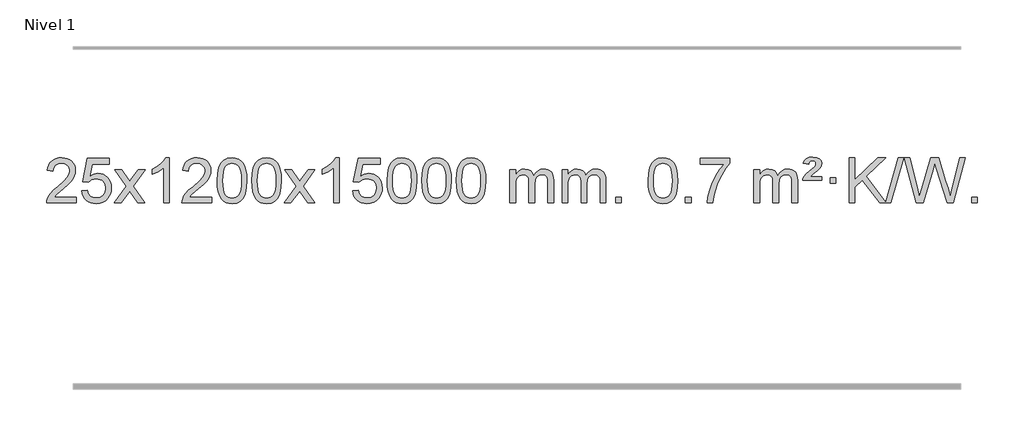
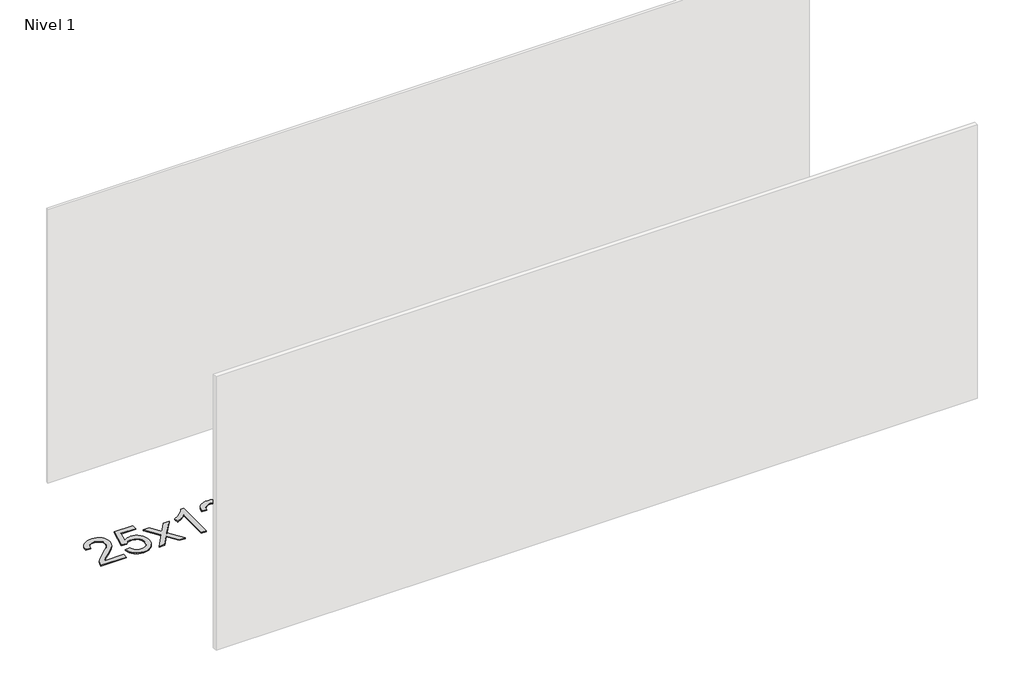
# One storey, part 10 of 10: 1 proxy.
"""IFC4 building model written with IfcOpenShell, lengths in millimetres."""

from ifc_helpers import new_model, si_unit, origin, origin_with_axes, place, context, project, spatial, polyline, outline, extrude, element, save

model = new_model("IFC4")

# Units and contexts
model_context = context("Model", 3, world=origin())
ifc_project = project(units=[si_unit("LENGTHUNIT", "METRE", prefix="MILLI")], contexts=[model_context])

# Site, building, storey
site = spatial("IfcSite", under=ifc_project)
building = spatial("IfcBuilding", under=site)
storey = spatial("IfcBuildingStorey", under=building, Name="Nivel 1", Elevation=0.0)

# Proxy
placement = place(None, origin())
element("IfcBuildingElementProxy", 1, Name="Texto de modelo 1", ObjectType="Texto de modelo 1", at=placement, inside=storey, context=model_context, shape_type="SweptSolid", body=[
    extrude(outline(polyline([(-206.3978655, 2658.6487021), (-206.3978655, 2608.420547), (-470.0956797, 2608.420547), (-468.9920337, 2626.1034082), (-464.7000771, 2643.0505055), (-452.3147166, 2670.1143576), (-434.190397, 2696.3688693), (-407.9726734, 2723.8496544), (-371.3071012, 2754.5923264), (-317.1058206, 2802.7358169), (-284.5850522, 2838.2732176), (-268.3246681, 2867.115166), (-262.90454, 2895.1722995), (-268.0180997, 2920.3231653), (-283.3587789, 2941.2311253), (-306.9400148, 2955.3210057), (-336.7752446, 2960.0176325), (-368.1065279, 2955.4313703), (-392.4480532, 2941.6725837), (-408.1566144, 2919.8203932), (-413.5890052, 2890.9539193), (-463.8171603, 2897.2324387), (-459.4976125, 2923.161988), (-451.6402663, 2945.8173875), (-440.2451215, 2965.1986373), (-425.3121781, 2981.3057373), (-407.1847928, 2993.9670093), (-386.206322, 3003.010775), (-362.3767658, 3008.4370345), (-335.6961241, 3010.2457876), (-308.7763591, 3008.2346994), (-284.8180442, 3002.2014346), (-263.8211793, 2992.1459934), (-245.7857645, 2978.0683758), (-231.3004109, 2961.0109139), (-220.9537298, 2942.0159402), (-214.7457211, 2921.0834547), (-212.6763849, 2898.2134573), (-214.9082024, 2874.1907631), (-221.6036547, 2850.5850017), (-233.4862431, 2826.5745701), (-251.2794689, 2801.3378653), (-279.6431708, 2771.2083299), (-323.2371872, 2732.5194067), (-381.0191859, 2684.204238), (-403.6807168, 2658.6487021), (-206.3978655, 2658.6487021)])), origin_with_axes(), (0.0, 0.0, 1.0), 10.0),
    extrude(outline(polyline([(-156.1697105, 2715.1553765), (-105.9415554, 2721.4338959), (-96.71998, 2691.2798351), (-80.6312741, 2669.6851619), (-57.749014, 2656.6989275), (-28.1467761, 2652.3701827), (-9.0169124, 2653.8754332), (7.8566085, 2658.3911847), (22.4737864, 2665.9174372), (34.8346214, 2676.4541906), (44.6632021, 2689.480279), (51.6836168, 2704.4745359), (57.2999486, 2740.3675559), (52.0392361, 2774.1636486), (45.4633454, 2788.0818507), (36.2570985, 2800.0134901), (24.3898385, 2809.5845533), (9.8309085, 2816.4210271), (-27.3619612, 2821.8902061), (-51.728012, 2819.7074396), (-71.4587497, 2813.1591401), (-87.2163618, 2803.1282243), (-99.663036, 2790.4976092), (-149.8911911, 2796.7761285), (-105.9415554, 3003.9672682), (88.6925455, 3003.9672682), (88.6925455, 2953.7391131), (-65.3273831, 2953.7391131), (-86.8116916, 2843.080209), (-69.0859108, 2855.7844006), (-50.9309344, 2864.8588231), (-32.3467623, 2870.3034766), (-13.3333945, 2872.1183612), (11.1276925, 2869.8681496), (33.5960854, 2863.117515), (54.0717841, 2851.8664573), (72.5547887, 2836.1149766), (87.855614, 2816.8256973), (98.7847749, 2794.961244), (105.3422715, 2770.5216168), (107.5281037, 2743.5068156), (105.559935, 2717.4852958), (99.655429, 2693.2786606), (89.8145856, 2670.8869098), (76.0374049, 2650.3100435), (55.166233, 2629.2365366), (30.812445, 2614.1840316), (2.9760407, 2605.1525286), (-28.3429799, 2602.1420276), (-54.2633321, 2604.0764738), (-77.6759554, 2609.8798123), (-98.5808498, 2619.552043), (-116.9780152, 2633.0931662), (-132.2849719, 2649.8287312), (-143.91924, 2669.084288), (-151.8808195, 2690.8598364), (-156.1697105, 2715.1553765)])), origin_with_axes(), (0.0, 0.0, 1.0), 10.0),
    extrude(outline(polyline([(132.6421812, 2608.420547), (239.9656219, 2756.7505675), (138.9207006, 2903.5109581), (199.3514497, 2903.5109581), (248.1080768, 2832.877615), (270.8677095, 2799.5229808), (290.5861845, 2826.7952993), (346.1118403, 2903.5109581), (406.5425894, 2903.5109581), (300.396371, 2756.7505675), (402.6185147, 2608.420547), (342.1877657, 2608.420547), (280.6778961, 2697.5951426), (269.3961816, 2713.8800523), (193.0729303, 2608.420547), (132.6421812, 2608.420547)])), origin_with_axes(), (0.0, 0.0, 1.0), 10.0),
    extrude(outline(polyline([(622.3666932, 2608.420547), (572.1385381, 2608.420547), (572.1385381, 2921.5617013), (551.1692644, 2904.6023413), (524.5591334, 2887.6675068), (471.682228, 2862.3081746), (471.682228, 2909.7894775), (511.1314406, 2931.2492605), (545.3076779, 2956.780271), (572.2489027, 2983.9299622), (589.9930776, 3010.2457876), (622.3666932, 3010.2457876), (622.3666932, 2608.420547)])), origin_with_axes(), (0.0, 0.0, 1.0), 10.0),
    extrude(outline(polyline([(999.0778563, 2658.6487021), (999.0778563, 2608.420547), (735.3800421, 2608.420547), (736.4836881, 2626.1034082), (740.7756447, 2643.0505055), (753.1610052, 2670.1143576), (771.2853248, 2696.3688693), (797.5030484, 2723.8496544), (834.1686206, 2754.5923264), (888.3699012, 2802.7358169), (920.8906695, 2838.2732176), (937.1510537, 2867.115166), (942.5711818, 2895.1722995), (937.4576221, 2920.3231653), (922.1169429, 2941.2311253), (898.535707, 2955.3210057), (868.7004772, 2960.0176325), (837.3691939, 2955.4313703), (813.0276686, 2941.6725837), (797.3191074, 2919.8203932), (791.8867166, 2890.9539193), (741.6585615, 2897.2324387), (745.9781093, 2923.161988), (753.8354555, 2945.8173875), (765.2306003, 2965.1986373), (780.1635437, 2981.3057373), (798.290929, 2993.9670093), (819.2693997, 3003.010775), (843.098956, 3008.4370345), (869.7795977, 3010.2457876), (896.6993627, 3008.2346994), (920.6576776, 3002.2014346), (941.6545425, 2992.1459934), (959.6899573, 2978.0683758), (974.1753109, 2961.0109139), (984.521992, 2942.0159402), (990.7300007, 2921.0834547), (992.7993369, 2898.2134573), (990.5675194, 2874.1907631), (983.8720671, 2850.5850017), (971.9894787, 2826.5745701), (954.1962528, 2801.3378653), (925.832551, 2771.2083299), (882.2385346, 2732.5194067), (824.4565359, 2684.204238), (801.795005, 2658.6487021), (999.0778563, 2658.6487021)])), origin_with_axes(), (0.0, 0.0, 1.0), 10.0),
    extrude(outline(polyline([(1049.3060113, 2806.0958057), (1052.997094, 2870.4138412), (1064.0703421, 2921.7088541), (1082.4153909, 2960.7656593), (1094.2734539, 2975.9990395), (1107.9218759, 2988.3690716), (1123.4066422, 2997.9401349), (1140.7737381, 3004.7766086), (1181.1549184, 3010.2457876), (1212.1060569, 3007.008426), (1239.8198339, 2997.2963414), (1262.9963996, 2981.4896783), (1280.3359043, 2959.9685816), (1293.4325033, 2932.9169922), (1303.880352, 2900.5188512), (1310.7229571, 2859.3773814), (1313.0038255, 2806.0958057), (1309.349531, 2742.1456523), (1298.3866475, 2690.9732667), (1280.1519633, 2651.8796734), (1268.3214915, 2636.6003078), (1254.6822665, 2624.1658964), (1239.1791061, 2614.5304538), (1221.7568279, 2607.6479948), (1181.1549184, 2602.1420276), (1153.4901924, 2604.5332606), (1128.964726, 2611.7069595), (1107.5785194, 2623.6631243), (1089.3315724, 2640.4017551), (1071.8203894, 2670.6600492), (1059.3124016, 2708.3618224), (1051.8076089, 2753.5070745), (1049.3060113, 2806.0958057)]), holes=[polyline([(1099.5341664, 2806.1939076), (1101.0056944, 2762.5293805), (1105.4202783, 2727.1851178), (1112.7779182, 2700.1611196), (1123.0786141, 2681.4573858), (1135.537551, 2668.7317344), (1149.369914, 2659.6419835), (1164.5757032, 2654.1881329), (1181.1549184, 2652.3701827), (1197.7341337, 2654.1942643), (1212.9399228, 2659.6665089), (1226.7722858, 2668.7869167), (1239.2312227, 2681.5554876), (1249.5319186, 2700.2898783), (1256.8895585, 2727.3077451), (1261.3041424, 2762.6090882), (1262.7756704, 2806.1939076), (1261.3531934, 2848.7026722), (1257.0857622, 2883.4246011), (1249.973377, 2910.3596945), (1240.0160376, 2929.5079524), (1227.7655672, 2942.8559375), (1213.7737886, 2952.3902125), (1198.040702, 2958.1107775), (1180.5663072, 2960.0176325), (1164.0729311, 2958.3376381), (1149.1246594, 2953.2976548), (1135.721492, 2944.8976825), (1123.863429, 2933.1377214), (1113.2193766, 2912.291075), (1105.6164821, 2884.1848906), (1101.0547453, 2848.8191681), (1099.5341664, 2806.1939076)])]), origin_with_axes(), (0.0, 0.0, 1.0), 10.0),
    extrude(outline(polyline([(1356.9534612, 2806.0958057), (1360.6445439, 2870.4138412), (1371.7177919, 2921.7088541), (1390.0628407, 2960.7656593), (1401.9209037, 2975.9990395), (1415.5693257, 2988.3690716), (1431.054092, 2997.9401349), (1448.4211879, 3004.7766086), (1488.8023682, 3010.2457876), (1519.7535068, 3007.008426), (1547.4672837, 2997.2963414), (1570.6438494, 2981.4896783), (1587.9833541, 2959.9685816), (1601.0799532, 2932.9169922), (1611.5278018, 2900.5188512), (1618.3704069, 2859.3773814), (1620.6512753, 2806.0958057), (1616.9969808, 2742.1456523), (1606.0340974, 2690.9732667), (1587.7994131, 2651.8796734), (1575.9689413, 2636.6003078), (1562.3297163, 2624.1658964), (1546.8265559, 2614.5304538), (1529.4042778, 2607.6479948), (1488.8023682, 2602.1420276), (1461.1376422, 2604.5332606), (1436.6121759, 2611.7069595), (1415.2259692, 2623.6631243), (1396.9790222, 2640.4017551), (1379.4678393, 2670.6600492), (1366.9598514, 2708.3618224), (1359.4550587, 2753.5070745), (1356.9534612, 2806.0958057)]), holes=[polyline([(1407.1816162, 2806.1939076), (1408.6531442, 2762.5293805), (1413.0677282, 2727.1851178), (1420.4253681, 2700.1611196), (1430.7260639, 2681.4573858), (1443.1850008, 2668.7317344), (1457.0173639, 2659.6419835), (1472.223153, 2654.1881329), (1488.8023682, 2652.3701827), (1505.3815835, 2654.1942643), (1520.5873726, 2659.6665089), (1534.4197356, 2668.7869167), (1546.8786725, 2681.5554876), (1557.1793684, 2700.2898783), (1564.5370083, 2727.3077451), (1568.9515923, 2762.6090882), (1570.4231202, 2806.1939076), (1569.0006432, 2848.7026722), (1564.733212, 2883.4246011), (1557.6208268, 2910.3596945), (1547.6634875, 2929.5079524), (1535.413017, 2942.8559375), (1521.4212385, 2952.3902125), (1505.6881518, 2958.1107775), (1488.213757, 2960.0176325), (1471.7203809, 2958.3376381), (1456.7721092, 2953.2976548), (1443.3689418, 2944.8976825), (1431.5108789, 2933.1377214), (1420.8668265, 2912.291075), (1413.2639319, 2884.1848906), (1408.7021952, 2848.8191681), (1407.1816162, 2806.1939076)])]), origin_with_axes(), (0.0, 0.0, 1.0), 10.0),
    extrude(outline(polyline([(1645.7653528, 2608.420547), (1753.0887936, 2756.7505675), (1652.0438722, 2903.5109581), (1712.4746213, 2903.5109581), (1761.2312484, 2832.877615), (1783.9908812, 2799.5229808), (1803.7093561, 2826.7952993), (1859.2350119, 2903.5109581), (1919.665761, 2903.5109581), (1813.5195426, 2756.7505675), (1915.7416864, 2608.420547), (1855.3109373, 2608.420547), (1793.8010677, 2697.5951426), (1782.5193532, 2713.8800523), (1706.1961019, 2608.420547), (1645.7653528, 2608.420547)])), origin_with_axes(), (0.0, 0.0, 1.0), 10.0),
    extrude(outline(polyline([(2135.4898648, 2608.420547), (2085.2617098, 2608.420547), (2085.2617098, 2921.5617013), (2064.292436, 2904.6023413), (2037.682305, 2887.6675068), (1984.8053996, 2862.3081746), (1984.8053996, 2909.7894775), (2024.2546122, 2931.2492605), (2058.4308496, 2956.780271), (2085.3720743, 2983.9299622), (2103.1162492, 3010.2457876), (2135.4898648, 3010.2457876), (2135.4898648, 2608.420547)])), origin_with_axes(), (0.0, 0.0, 1.0), 10.0),
    extrude(outline(polyline([(2254.7817331, 2715.1553765), (2305.0098882, 2721.4338959), (2314.2314635, 2691.2798351), (2330.3201695, 2669.6851619), (2353.2024296, 2656.6989275), (2382.8046674, 2652.3701827), (2401.9345312, 2653.8754332), (2418.808052, 2658.3911847), (2433.42523, 2665.9174372), (2445.786065, 2676.4541906), (2455.6146457, 2689.480279), (2462.6350604, 2704.4745359), (2468.2513922, 2740.3675559), (2462.9906797, 2774.1636486), (2456.414789, 2788.0818507), (2447.2085421, 2800.0134901), (2435.341282, 2809.5845533), (2420.7823521, 2816.4210271), (2383.5894824, 2821.8902061), (2359.2234316, 2819.7074396), (2339.4926939, 2813.1591401), (2323.7350818, 2803.1282243), (2311.2884076, 2790.4976092), (2261.0602525, 2796.7761285), (2305.0098882, 3003.9672682), (2499.6439891, 3003.9672682), (2499.6439891, 2953.7391131), (2345.6240605, 2953.7391131), (2324.139752, 2843.080209), (2341.8655328, 2855.7844006), (2360.0205092, 2864.8588231), (2378.6046813, 2870.3034766), (2397.6180491, 2872.1183612), (2422.0791361, 2869.8681496), (2444.547529, 2863.117515), (2465.0232277, 2851.8664573), (2483.5062323, 2836.1149766), (2498.8070576, 2816.8256973), (2509.7362185, 2794.961244), (2516.2937151, 2770.5216168), (2518.4795473, 2743.5068156), (2516.5113786, 2717.4852958), (2510.6068726, 2693.2786606), (2500.7660292, 2670.8869098), (2486.9888485, 2650.3100435), (2466.1176766, 2629.2365366), (2441.7638885, 2614.1840316), (2413.9274842, 2605.1525286), (2382.6084637, 2602.1420276), (2356.6881115, 2604.0764738), (2333.2754882, 2609.8798123), (2312.3705938, 2619.552043), (2293.9734283, 2633.0931662), (2278.6664717, 2649.8287312), (2267.0322036, 2669.084288), (2259.0706241, 2690.8598364), (2254.7817331, 2715.1553765)])), origin_with_axes(), (0.0, 0.0, 1.0), 10.0),
    extrude(outline(polyline([(2562.429183, 2806.0958057), (2566.1202656, 2870.4138412), (2577.1935137, 2921.7088541), (2595.5385625, 2960.7656593), (2607.3966255, 2975.9990395), (2621.0450475, 2988.3690716), (2636.5298138, 2997.9401349), (2653.8969097, 3004.7766086), (2694.27809, 3010.2457876), (2725.2292286, 3007.008426), (2752.9430055, 2997.2963414), (2776.1195712, 2981.4896783), (2793.4590759, 2959.9685816), (2806.555675, 2932.9169922), (2817.0035236, 2900.5188512), (2823.8461287, 2859.3773814), (2826.1269971, 2806.0958057), (2822.4727026, 2742.1456523), (2811.5098192, 2690.9732667), (2793.2751349, 2651.8796734), (2781.4446631, 2636.6003078), (2767.8054381, 2624.1658964), (2752.3022777, 2614.5304538), (2734.8799996, 2607.6479948), (2694.27809, 2602.1420276), (2666.613364, 2604.5332606), (2642.0878976, 2611.7069595), (2620.701691, 2623.6631243), (2602.454744, 2640.4017551), (2584.9435611, 2670.6600492), (2572.4355732, 2708.3618224), (2564.9307805, 2753.5070745), (2562.429183, 2806.0958057)]), holes=[polyline([(2612.657338, 2806.1939076), (2614.128866, 2762.5293805), (2618.54345, 2727.1851178), (2625.9010899, 2700.1611196), (2636.2017857, 2681.4573858), (2648.6607226, 2668.7317344), (2662.4930856, 2659.6419835), (2677.6988748, 2654.1881329), (2694.27809, 2652.3701827), (2710.8573053, 2654.1942643), (2726.0630944, 2659.6665089), (2739.8954574, 2668.7869167), (2752.3543943, 2681.5554876), (2762.6550902, 2700.2898783), (2770.0127301, 2727.3077451), (2774.427314, 2762.6090882), (2775.898842, 2806.1939076), (2774.476365, 2848.7026722), (2770.2089338, 2883.4246011), (2763.0965486, 2910.3596945), (2753.1392093, 2929.5079524), (2740.8887388, 2942.8559375), (2726.8969603, 2952.3902125), (2711.1638736, 2958.1107775), (2693.6894788, 2960.0176325), (2677.1961027, 2958.3376381), (2662.247831, 2953.2976548), (2648.8446636, 2944.8976825), (2636.9866007, 2933.1377214), (2626.3425483, 2912.291075), (2618.7396537, 2884.1848906), (2614.1779169, 2848.8191681), (2612.657338, 2806.1939076)])]), origin_with_axes(), (0.0, 0.0, 1.0), 10.0),
    extrude(outline(polyline([(2870.0766328, 2806.0958057), (2873.7677155, 2870.4138412), (2884.8409635, 2921.7088541), (2903.1860124, 2960.7656593), (2915.0440753, 2975.9990395), (2928.6924974, 2988.3690716), (2944.1772637, 2997.9401349), (2961.5443595, 3004.7766086), (3001.9255399, 3010.2457876), (3032.8766784, 3007.008426), (3060.5904554, 2997.2963414), (3083.7670211, 2981.4896783), (3101.1065258, 2959.9685816), (3114.2031248, 2932.9169922), (3124.6509735, 2900.5188512), (3131.4935786, 2859.3773814), (3133.7744469, 2806.0958057), (3130.1201525, 2742.1456523), (3119.157269, 2690.9732667), (3100.9225848, 2651.8796734), (3089.0921129, 2636.6003078), (3075.452888, 2624.1658964), (3059.9497276, 2614.5304538), (3042.5274494, 2607.6479948), (3001.9255399, 2602.1420276), (2974.2608138, 2604.5332606), (2949.7353475, 2611.7069595), (2928.3491408, 2623.6631243), (2910.1021939, 2640.4017551), (2892.5910109, 2670.6600492), (2880.0830231, 2708.3618224), (2872.5782304, 2753.5070745), (2870.0766328, 2806.0958057)]), holes=[polyline([(2920.3047879, 2806.1939076), (2921.7763158, 2762.5293805), (2926.1908998, 2727.1851178), (2933.5485397, 2700.1611196), (2943.8492356, 2681.4573858), (2956.3081725, 2668.7317344), (2970.1405355, 2659.6419835), (2985.3463246, 2654.1881329), (3001.9255399, 2652.3701827), (3018.5047551, 2654.1942643), (3033.7105442, 2659.6665089), (3047.5429073, 2668.7869167), (3060.0018442, 2681.5554876), (3070.30254, 2700.2898783), (3077.6601799, 2727.3077451), (3082.0747639, 2762.6090882), (3083.5462919, 2806.1939076), (3082.1238148, 2848.7026722), (3077.8563837, 2883.4246011), (3070.7439984, 2910.3596945), (3060.7866591, 2929.5079524), (3048.5361887, 2942.8559375), (3034.5444101, 2952.3902125), (3018.8113234, 2958.1107775), (3001.3369287, 2960.0176325), (2984.8435526, 2958.3376381), (2969.8952808, 2953.2976548), (2956.4921135, 2944.8976825), (2944.6340505, 2933.1377214), (2933.9899981, 2912.291075), (2926.3871035, 2884.1848906), (2921.8253668, 2848.8191681), (2920.3047879, 2806.1939076)])]), origin_with_axes(), (0.0, 0.0, 1.0), 10.0),
    extrude(outline(polyline([(3177.7240826, 2806.0958057), (3181.4151653, 2870.4138412), (3192.4884134, 2921.7088541), (3210.8334622, 2960.7656593), (3222.6915252, 2975.9990395), (3236.3399472, 2988.3690716), (3251.8247135, 2997.9401349), (3269.1918094, 3004.7766086), (3309.5729897, 3010.2457876), (3340.5241282, 3007.008426), (3368.2379052, 2997.2963414), (3391.4144709, 2981.4896783), (3408.7539756, 2959.9685816), (3421.8505746, 2932.9169922), (3432.2984233, 2900.5188512), (3439.1410284, 2859.3773814), (3441.4218968, 2806.0958057), (3437.7676023, 2742.1456523), (3426.8047188, 2690.9732667), (3408.5700346, 2651.8796734), (3396.7395628, 2636.6003078), (3383.1003378, 2624.1658964), (3367.5971774, 2614.5304538), (3350.1748992, 2607.6479948), (3309.5729897, 2602.1420276), (3281.9082637, 2604.5332606), (3257.3827973, 2611.7069595), (3235.9965907, 2623.6631243), (3217.7496437, 2640.4017551), (3200.2384607, 2670.6600492), (3187.7304729, 2708.3618224), (3180.2256802, 2753.5070745), (3177.7240826, 2806.0958057)]), holes=[polyline([(3227.9522377, 2806.1939076), (3229.4237657, 2762.5293805), (3233.8383496, 2727.1851178), (3241.1959895, 2700.1611196), (3251.4966854, 2681.4573858), (3263.9556223, 2668.7317344), (3277.7879853, 2659.6419835), (3292.9937744, 2654.1881329), (3309.5729897, 2652.3701827), (3326.1522049, 2654.1942643), (3341.3579941, 2659.6665089), (3355.1903571, 2668.7869167), (3367.649294, 2681.5554876), (3377.9499899, 2700.2898783), (3385.3076298, 2727.3077451), (3389.7222137, 2762.6090882), (3391.1937417, 2806.1939076), (3389.7712646, 2848.7026722), (3385.5038335, 2883.4246011), (3378.3914483, 2910.3596945), (3368.4341089, 2929.5079524), (3356.1836385, 2942.8559375), (3342.1918599, 2952.3902125), (3326.4587733, 2958.1107775), (3308.9843785, 2960.0176325), (3292.4910024, 2958.3376381), (3277.5427307, 2953.2976548), (3264.1395633, 2944.8976825), (3252.2815003, 2933.1377214), (3241.6374479, 2912.291075), (3234.0345534, 2884.1848906), (3229.4728166, 2848.8191681), (3227.9522377, 2806.1939076)])]), origin_with_axes(), (0.0, 0.0, 1.0), 10.0),
    extrude(outline(polyline([(3654.8915558, 2608.420547), (3654.8915558, 2903.5109581), (3705.1197109, 2903.5109581), (3705.1197109, 2854.9505347), (3720.2273982, 2877.2564463), (3739.6515675, 2894.7308411), (3762.7300314, 2906.0248184), (3788.8006021, 2909.7894775), (3816.7351082, 2905.951242), (3839.126859, 2894.4365355), (3855.8532271, 2876.0056476), (3866.7915851, 2851.4188676), (3885.0998457, 2876.9560094), (3905.9832803, 2895.196825), (3929.4418888, 2906.1413143), (3955.4756714, 2909.7894775), (3975.5834881, 2908.2719642), (3993.2326268, 2903.7194245), (4008.4230875, 2896.1318584), (4021.1548702, 2885.5092658), (4031.2195085, 2871.7290194), (4038.4085358, 2854.6684918), (4042.7219522, 2834.3276832), (4044.1597577, 2810.7065934), (4044.1597577, 2608.420547), (3993.9316026, 2608.420547), (3993.9316026, 2789.124183), (3992.7666429, 2814.1769469), (3989.271764, 2831.0627305), (3982.7234645, 2842.6264879), (3972.3982431, 2851.7131732), (3959.1177031, 2857.5992851), (3943.7034475, 2859.5613224), (3916.4924426, 2854.5336018), (3894.3091583, 2839.45044), (3885.7037853, 2827.8805512), (3879.5570903, 2813.2817674), (3874.6397343, 2774.9975144), (3874.6397343, 2608.420547), (3824.4115792, 2608.420547), (3824.4115792, 2794.7159894), (3821.5053115, 2823.1164794), (3812.7865082, 2843.3745146), (3797.445829, 2855.5146204), (3774.6739335, 2859.5613224), (3755.3233405, 2856.8635211), (3737.4933265, 2848.7701172), (3722.7780467, 2835.4773144), (3712.7716564, 2817.1813165), (3707.0326973, 2791.7974589), (3705.1197109, 2757.2410768), (3705.1197109, 2608.420547), (3654.8915558, 2608.420547)])), origin_with_axes(), (0.0, 0.0, 1.0), 10.0),
    extrude(outline(polyline([(4119.5019903, 2608.420547), (4119.5019903, 2903.5109581), (4169.7301454, 2903.5109581), (4169.7301454, 2854.9505347), (4184.8378326, 2877.2564463), (4204.262002, 2894.7308411), (4227.3404658, 2906.0248184), (4253.4110365, 2909.7894775), (4281.3455427, 2905.951242), (4303.7372935, 2894.4365355), (4320.4636615, 2876.0056476), (4331.4020195, 2851.4188676), (4349.7102801, 2876.9560094), (4370.5937147, 2895.196825), (4394.0523233, 2906.1413143), (4420.0861058, 2909.7894775), (4440.1939225, 2908.2719642), (4457.8430612, 2903.7194245), (4473.033522, 2896.1318584), (4485.7653047, 2885.5092658), (4495.8299429, 2871.7290194), (4503.0189703, 2854.6684918), (4507.3323866, 2834.3276832), (4508.7701921, 2810.7065934), (4508.7701921, 2608.420547), (4458.542037, 2608.420547), (4458.542037, 2789.124183), (4457.3770774, 2814.1769469), (4453.8821984, 2831.0627305), (4447.3338989, 2842.6264879), (4437.0086776, 2851.7131732), (4423.7281376, 2857.5992851), (4408.313882, 2859.5613224), (4381.1028771, 2854.5336018), (4358.9195927, 2839.45044), (4350.3142197, 2827.8805512), (4344.1675247, 2813.2817674), (4339.2501687, 2774.9975144), (4339.2501687, 2608.420547), (4289.0220137, 2608.420547), (4289.0220137, 2794.7159894), (4286.1157459, 2823.1164794), (4277.3969426, 2843.3745146), (4262.0562634, 2855.5146204), (4239.2843679, 2859.5613224), (4219.933775, 2856.8635211), (4202.1037609, 2848.7701172), (4187.3884811, 2835.4773144), (4177.3820909, 2817.1813165), (4171.6431317, 2791.7974589), (4169.7301454, 2757.2410768), (4169.7301454, 2608.420547), (4119.5019903, 2608.420547)])), origin_with_axes(), (0.0, 0.0, 1.0), 10.0),
    extrude(outline(polyline([(4596.6694635, 2608.420547), (4596.6694635, 2658.6487021), (4646.8976186, 2658.6487021), (4646.8976186, 2608.420547), (4596.6694635, 2608.420547)])), origin_with_axes(), (0.0, 0.0, 1.0), 10.0),
    extrude(outline(polyline([(4885.4813552, 2806.0958057), (4889.1724379, 2870.4138412), (4900.2456859, 2921.7088541), (4918.5907347, 2960.7656593), (4930.4487977, 2975.9990395), (4944.0972197, 2988.3690716), (4959.581986, 2997.9401349), (4976.9490819, 3004.7766086), (5017.3302622, 3010.2457876), (5048.2814008, 3007.008426), (5075.9951777, 2997.2963414), (5099.1717434, 2981.4896783), (5116.5112481, 2959.9685816), (5129.6078472, 2932.9169922), (5140.0556958, 2900.5188512), (5146.8983009, 2859.3773814), (5149.1791693, 2806.0958057), (5145.5248748, 2742.1456523), (5134.5619914, 2690.9732667), (5116.3273071, 2651.8796734), (5104.4968353, 2636.6003078), (5090.8576103, 2624.1658964), (5075.3544499, 2614.5304538), (5057.9321718, 2607.6479948), (5017.3302622, 2602.1420276), (4989.6655362, 2604.5332606), (4965.1400699, 2611.7069595), (4943.7538632, 2623.6631243), (4925.5069162, 2640.4017551), (4907.9957333, 2670.6600492), (4895.4877454, 2708.3618224), (4887.9829527, 2753.5070745), (4885.4813552, 2806.0958057)]), holes=[polyline([(4935.7095102, 2806.1939076), (4937.1810382, 2762.5293805), (4941.5956222, 2727.1851178), (4948.9532621, 2700.1611196), (4959.2539579, 2681.4573858), (4971.7128948, 2668.7317344), (4985.5452579, 2659.6419835), (5000.751047, 2654.1881329), (5017.3302622, 2652.3701827), (5033.9094775, 2654.1942643), (5049.1152666, 2659.6665089), (5062.9476296, 2668.7869167), (5075.4065665, 2681.5554876), (5085.7072624, 2700.2898783), (5093.0649023, 2727.3077451), (5097.4794863, 2762.6090882), (5098.9510142, 2806.1939076), (5097.5285372, 2848.7026722), (5093.261106, 2883.4246011), (5086.1487208, 2910.3596945), (5076.1913815, 2929.5079524), (5063.940911, 2942.8559375), (5049.9491325, 2952.3902125), (5034.2160458, 2958.1107775), (5016.741651, 2960.0176325), (5000.2482749, 2958.3376381), (4985.3000032, 2953.2976548), (4971.8968358, 2944.8976825), (4960.0387729, 2933.1377214), (4949.3947205, 2912.291075), (4941.7918259, 2884.1848906), (4937.2300892, 2848.8191681), (4935.7095102, 2806.1939076)])]), origin_with_axes(), (0.0, 0.0, 1.0), 10.0),
    extrude(outline(polyline([(5218.2428825, 2608.420547), (5218.2428825, 2658.6487021), (5268.4710376, 2658.6487021), (5268.4710376, 2608.420547), (5218.2428825, 2608.420547)])), origin_with_axes(), (0.0, 0.0, 1.0), 10.0),
    extrude(outline(polyline([(5350.0917896, 2953.7391131), (5350.0917896, 3003.9672682), (5613.7896038, 3003.9672682), (5613.7896038, 2963.353096), (5576.2043266, 2915.785954), (5538.9869314, 2855.2938912), (5506.1595947, 2787.3951377), (5481.744493, 2717.6079232), (5469.7760654, 2665.3932053), (5463.1051385, 2608.420547), (5412.8769835, 2608.420547), (5418.3093743, 2660.1938065), (5432.8407131, 2721.7282015), (5456.0785924, 2786.9536793), (5487.6306049, 2849.8001868), (5524.4678553, 2906.6134296), (5563.5614487, 2953.7391131), (5350.0917896, 2953.7391131)])), origin_with_axes(), (0.0, 0.0, 1.0), 10.0),
    extrude(outline(polyline([(5827.2592628, 2608.420547), (5827.2592628, 2903.5109581), (5877.4874179, 2903.5109581), (5877.4874179, 2854.9505347), (5892.5951052, 2877.2564463), (5912.0192745, 2894.7308411), (5935.0977383, 2906.0248184), (5961.1683091, 2909.7894775), (5989.1028152, 2905.951242), (6011.494566, 2894.4365355), (6028.2209341, 2876.0056476), (6039.159292, 2851.4188676), (6057.4675527, 2876.9560094), (6078.3509873, 2895.196825), (6101.8095958, 2906.1413143), (6127.8433783, 2909.7894775), (6147.9511951, 2908.2719642), (6165.6003338, 2903.7194245), (6180.7907945, 2896.1318584), (6193.5225772, 2885.5092658), (6203.5872155, 2871.7290194), (6210.7762428, 2854.6684918), (6215.0896592, 2834.3276832), (6216.5274647, 2810.7065934), (6216.5274647, 2608.420547), (6166.2993096, 2608.420547), (6166.2993096, 2789.124183), (6165.1343499, 2814.1769469), (6161.639471, 2831.0627305), (6155.0911715, 2842.6264879), (6144.7659501, 2851.7131732), (6131.4854101, 2857.5992851), (6116.0711545, 2859.5613224), (6088.8601496, 2854.5336018), (6066.6768653, 2839.45044), (6058.0714923, 2827.8805512), (6051.9247973, 2813.2817674), (6047.0074413, 2774.9975144), (6047.0074413, 2608.420547), (5996.7792862, 2608.420547), (5996.7792862, 2794.7159894), (5993.8730184, 2823.1164794), (5985.1542152, 2843.3745146), (5969.813536, 2855.5146204), (5947.0416405, 2859.5613224), (5927.6910475, 2856.8635211), (5909.8610335, 2848.7701172), (5895.1457537, 2835.4773144), (5885.1393634, 2817.1813165), (5879.4004043, 2791.7974589), (5877.4874179, 2757.2410768), (5877.4874179, 2608.420547), (5827.2592628, 2608.420547)])), origin_with_axes(), (0.0, 0.0, 1.0), 10.0),
    extrude(outline(polyline([(6260.4771003, 2809.3331673), (6264.3030731, 2825.1520931), (6272.6417317, 2841.0200698), (6294.1505656, 2866.1586728), (6326.1072483, 2893.8969753), (6370.2530877, 2931.273786), (6377.3899984, 2942.8007552), (6379.7689686, 2954.6220299), (6377.8805077, 2966.7130848), (6372.215125, 2976.4987459), (6362.8463969, 2982.973469), (6349.8478997, 2985.1317101), (6337.4134883, 2983.5130293), (6328.5597949, 2978.656987), (6322.1341227, 2969.1901569), (6316.9837748, 2953.7391131), (6266.7556197, 2960.0176325), (6277.5958759, 2985.2298119), (6294.224142, 3002.7900458), (6317.9893189, 3013.0907417), (6350.2403072, 3016.524307), (6386.0229626, 3012.3917659), (6410.7691581, 2999.9941427), (6425.1901323, 2981.6613566), (6429.9971237, 2959.7233269), (6425.9013708, 2936.8165414), (6413.6141122, 2915.1850801), (6393.0862969, 2895.3685032), (6356.6169284, 2867.3113697), (6331.0123416, 2840.7257642), (6429.9971237, 2840.7257642), (6429.9971237, 2809.3331673), (6260.4771003, 2809.3331673)])), origin_with_axes(), (0.0, 0.0, 1.0), 10.0),
    extrude(outline(polyline([(6505.3393563, 2784.2190898), (6505.3393563, 2834.4472448), (6555.5675114, 2834.4472448), (6555.5675114, 2784.2190898), (6505.3393563, 2784.2190898)])), origin_with_axes(), (0.0, 0.0, 1.0), 10.0),
    extrude(outline(polyline([(6946.2091394, 2608.420547), (6792.7778219, 2811.0990009), (6725.0875348, 2746.5479735), (6725.0875348, 2608.420547), (6674.8593797, 2608.420547), (6674.8593797, 3010.2457876), (6725.0875348, 3010.2457876), (6725.0875348, 2813.5515475), (6931.1014521, 3010.2457876), (7001.3423877, 3010.2457876), (6828.388799, 2845.0422463), (7003.0424089, 2614.4650668), (7114.3557366, 3010.2457876), (7159.6787984, 3010.2457876), (7046.6654495, 2608.420547), (7007.6209071, 2608.420547), (7001.3423877, 2608.420547), (6946.2091394, 2608.420547)])), origin_with_axes(), (0.0, 0.0, 1.0), 10.0),
    extrude(outline(polyline([(7274.1636753, 2608.420547), (7164.5838917, 3010.2457876), (7216.3816766, 3010.2457876), (7279.9516854, 2746.155566), (7299.5720585, 2664.6329159), (7320.5658576, 2736.7377869), (7400.2245723, 3010.2457876), (7474.8800919, 3010.2457876), (7532.7601925, 2811.9819177), (7557.5554389, 2738.4055186), (7575.8269114, 2664.6329159), (7594.8586732, 2743.8011212), (7659.0172932, 3010.2457876), (7710.8150781, 3010.2457876), (7601.1371926, 2608.420547), (7547.4754723, 2608.420547), (7451.1394405, 2918.4224416), (7437.6994849, 2961.6853642), (7422.5917976, 2909.5932737), (7334.7906281, 2608.420547), (7274.1636753, 2608.420547)])), origin_with_axes(), (0.0, 0.0, 1.0), 10.0),
    extrude(outline(polyline([(7767.3217526, 2608.420547), (7767.3217526, 2658.6487021), (7817.5499077, 2658.6487021), (7817.5499077, 2608.420547), (7767.3217526, 2608.420547)])), origin_with_axes(), (0.0, 0.0, 1.0), 10.0),
])

save(model, "model.ifc")
